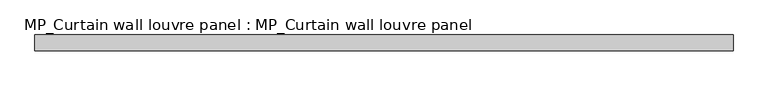
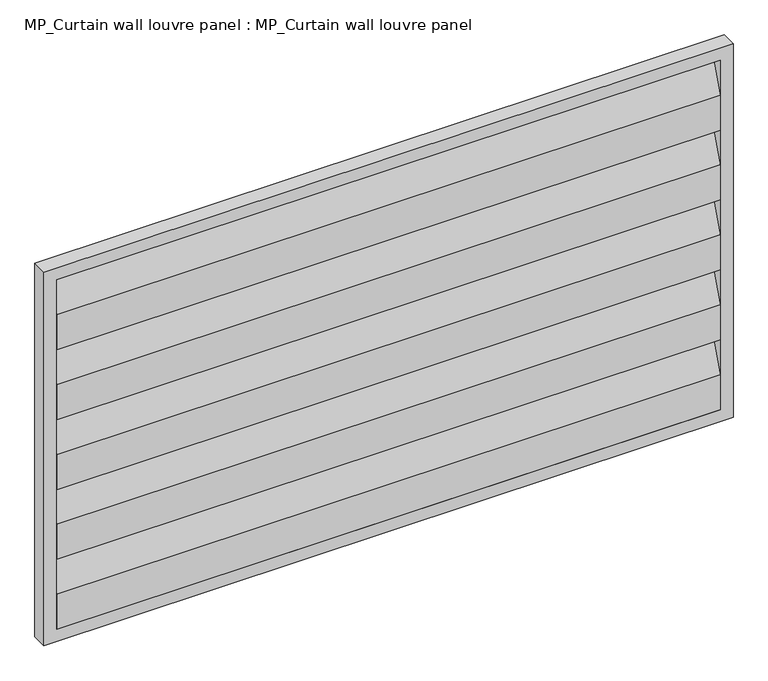
"""IFC4 building model written with IfcOpenShell, lengths in millimetres: plate geometry, MP_Curtain wall louvre panel : MP_Curtain wall louvre panel."""

from ifc_helpers import new_model, si_unit, frame, origin, place, context, project, spatial, polyline, outline, extrude, source, transform, mapped, element, save


def mp_curtain_wall_louvre_panel_mp_curtain_wall_louvre_panel_5d288e7c(model_context):
    return source(origin(), model_context, "Body", "SweptSolid", [
        extrude(outline(polyline([(30.0, 527.6238829), (58.0, 604.4272948), (58.0, 619.4272948), (60.0, 619.4272948), (60.0, 604.0740974), (32.0, 527.2706856), (32.0, 455.8204711), (30.0, 455.8204711), (30.0, 527.6238829)])), frame((-645.0, 0.0, 0.0), z_axis=(1.0, 0.0, 0.0), x_axis=(0.0, 1.0, 0.0)), (0.0, 0.0, 1.0), 1290.0),
        extrude(outline(polyline([(30.0, 384.0170592), (58.0, 460.8204711), (58.0, 475.8204711), (60.0, 475.8204711), (60.0, 460.4672737), (32.0, 383.6638619), (32.0, 312.2136474), (30.0, 312.2136474), (30.0, 384.0170592)])), frame((-645.0, 0.0, 0.0), z_axis=(1.0, 0.0, 0.0), x_axis=(0.0, 1.0, 0.0)), (0.0, 0.0, 1.0), 1290.0),
        extrude(outline(polyline([(30.0, 240.4102355), (58.0, 317.2136474), (58.0, 332.2136474), (60.0, 332.2136474), (60.0, 316.86045), (32.0, 240.0570382), (32.0, 168.6068237), (30.0, 168.6068237), (30.0, 240.4102355)])), frame((-645.0, 0.0, 0.0), z_axis=(1.0, 0.0, 0.0), x_axis=(0.0, 1.0, 0.0)), (0.0, 0.0, 1.0), 1290.0),
        extrude(outline(polyline([(30.0, 671.2307066), (58.0, 748.0341184), (58.0, 763.0341184), (60.0, 763.0341184), (60.0, 747.6809211), (32.0, 670.8775093), (32.0, 599.4272948), (30.0, 599.4272948), (30.0, 671.2307066)])), frame((-645.0, 0.0, 0.0), z_axis=(1.0, 0.0, 0.0), x_axis=(0.0, 1.0, 0.0)), (0.0, 0.0, 1.0), 1290.0),
        extrude(outline(polyline([(30.0, 96.8034118), (58.0, 173.6068237), (58.0, 188.6068237), (60.0, 188.6068237), (60.0, 173.2536263), (32.0, 96.4502145), (32.0, 25.0), (30.0, 25.0), (30.0, 96.8034118)])), frame((-645.0, 0.0, 0.0), z_axis=(1.0, 0.0, 0.0), x_axis=(0.0, 1.0, 0.0)), (0.0, 0.0, 1.0), 1290.0),
        extrude(outline(polyline([(768.0341184, -670.0), (0.0, -670.0), (0.0, 670.0), (768.0341184, 670.0), (768.0341184, -670.0)]), holes=[polyline([(743.0341184, -645.0), (743.0341184, 645.0), (25.0, 645.0), (25.0, -645.0), (743.0341184, -645.0)])]), frame((0.0, 30.0, 0.0), z_axis=(0.0, 1.0, 0.0), x_axis=(0.0, 0.0, 1.0)), (0.0, 0.0, 1.0), 30.0),
    ])


if __name__ == "__main__":
    model = new_model("IFC4")
    model_context = context("Model", 3, world=origin())
    ifc_project = project(units=[si_unit("LENGTHUNIT", "METRE", prefix="MILLI")], contexts=[model_context])
    site = spatial("IfcSite", under=ifc_project)
    building = spatial("IfcBuilding", under=site)
    placement = place(None, origin())
    mp_curtain_wall_louvre_panel_mp_curtain_wall_louvre_panel_shape = mp_curtain_wall_louvre_panel_mp_curtain_wall_louvre_panel_5d288e7c(model_context)
    element("IfcPlate", 1, ObjectType="MP_Curtain wall louvre panel : MP_Curtain wall louvre panel", at=placement, inside=building, context=model_context, shape_type="MappedRepresentation", body=[
        mapped(mp_curtain_wall_louvre_panel_mp_curtain_wall_louvre_panel_shape, transform((0.0, 0.0, 0.0), x_axis=(1.0, 0.0, 0.0), y_axis=(0.0, 1.0, 0.0), z_axis=(0.0, 0.0, 1.0))),
    ])
    save(model, "model.ifc")
